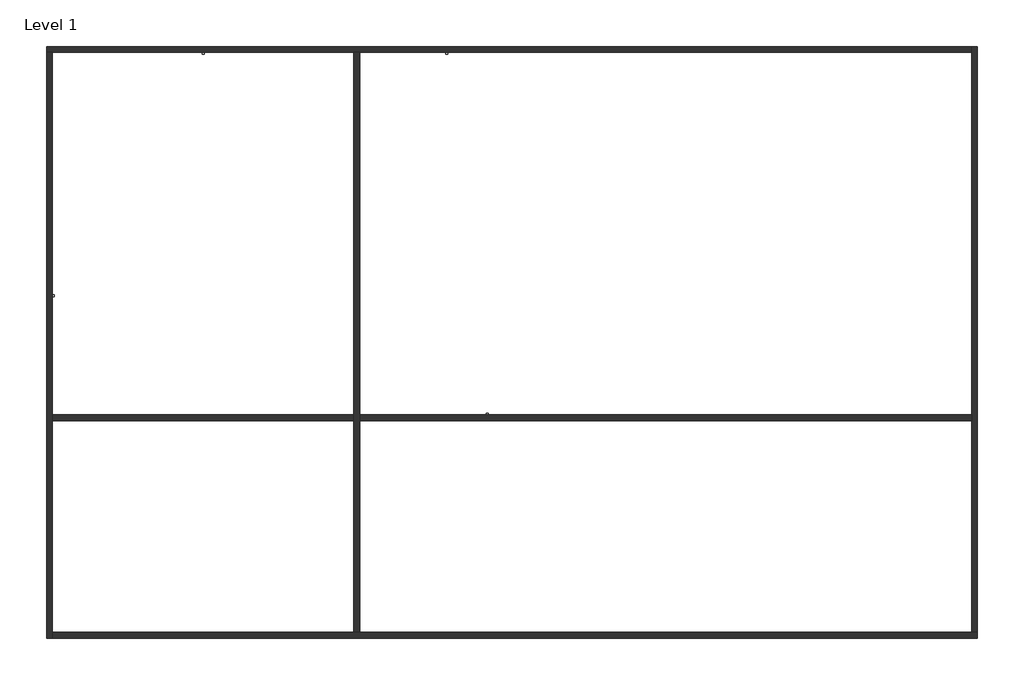
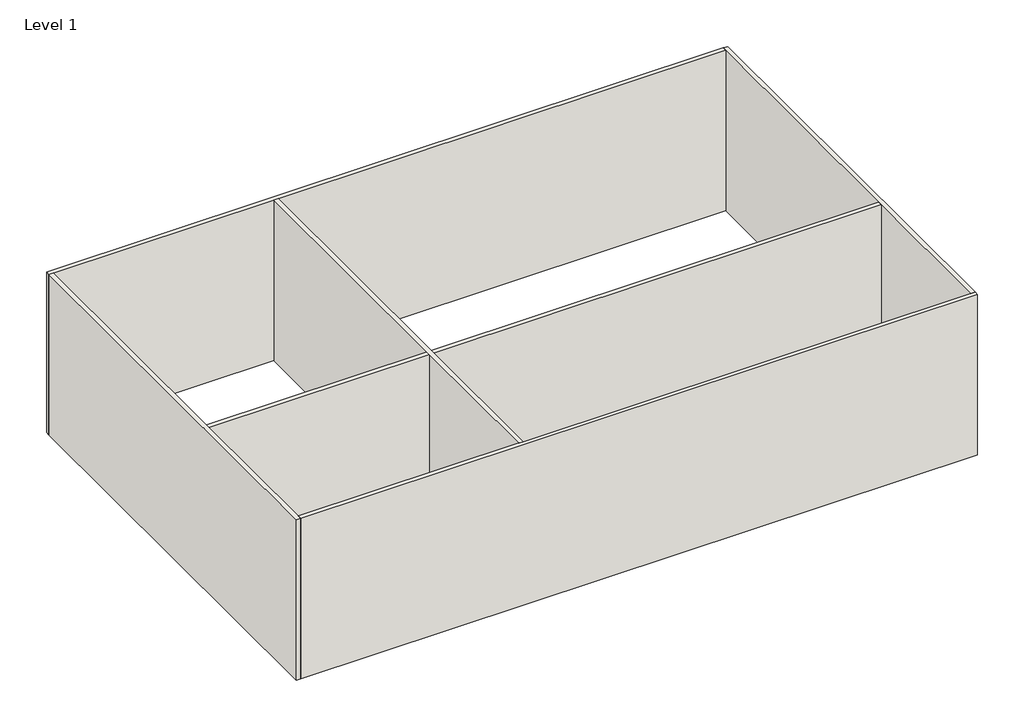
# One storey: 6 walls, 4 proxies.
"""IFC4 building model written with IfcOpenShell, lengths in millimetres."""

import ifcopenshell
import ifcopenshell.guid

model = None  # the IFC model being written
_history = None  # IfcOwnerHistory: only IFC2X3 demands one
_inside = {}  # id of a spatial element -> (the spatial element, [elements in it])
_under = {}  # id of a project, library or spatial element -> (it, [spatial elements below it])
_declared = {}  # id of a project -> (the project, [libraries it declares])
_typed = {}  # id of a type object -> (the type object, [elements of that type])
_made_of = {}  # id of a material, layer set ... -> (it, [elements and type objects made of it])


def new_model(schema):
    """Start an empty IFC model of exactly this schema.

    Asked for "IFC4X3", IfcOpenShell would pick the latest addendum, in which some entities
    have other attributes; the version numbers below select the first issue.
    IFC2X3 requires an IfcOwnerHistory on every rooted entity: one is made here for all.
    """
    global model, _history
    if schema == "IFC4X3":
        model = ifcopenshell.file(schema_version=(4, 3, 0, 0))
    else:
        model = ifcopenshell.file(schema=schema)
    _inside.clear()
    _under.clear()
    _declared.clear()
    _typed.clear()
    _made_of.clear()
    _history = None
    if model.schema == "IFC2X3":
        org = make("IfcOrganization", Name="unknown")
        user = make(
            "IfcPersonAndOrganization",
            ThePerson=make("IfcPerson", FamilyName="unknown"),
            TheOrganization=org,
        )
        app = make(
            "IfcApplication",
            ApplicationDeveloper=org,
            Version="unknown",
            ApplicationFullName="unknown",
            ApplicationIdentifier="unknown",
        )
        _history = make(
            "IfcOwnerHistory",
            OwningUser=user,
            OwningApplication=app,
            ChangeAction="ADDED",
            CreationDate=0,
        )
    return model


def make(cls, **values):
    """One entity of the class cls with the attributes given. An attribute that is None is left unset."""
    return model.create_entity(
        cls, **{name: value for name, value in values.items() if value is not None}
    )


def rooted(cls, **values):
    """An entity with a GlobalId (a new one), such as an element, a storey or a relation."""
    return make(cls, GlobalId=ifcopenshell.guid.new(), OwnerHistory=_history, **values)


def si_unit(unit_type, name, prefix=None):
    """IfcSIUnit, for example si_unit("LENGTHUNIT", "METRE", prefix="MILLI")."""
    return make("IfcSIUnit", UnitType=unit_type, Prefix=prefix, Name=name)


def assignment(units):
    """IfcUnitAssignment: the units of a project."""
    return None if units is None else make("IfcUnitAssignment", Units=units)


def point(xyz):
    """IfcCartesianPoint."""
    return None if xyz is None else make("IfcCartesianPoint", Coordinates=xyz)


def direction(xyz):
    """IfcDirection."""
    return None if xyz is None else make("IfcDirection", DirectionRatios=xyz)


def frame(location, z_axis=None, x_axis=None):
    """IfcAxis2Placement3D, a coordinate frame: its origin and axes. An axis left out is left unset."""
    return make(
        "IfcAxis2Placement3D",
        Location=point(location),
        Axis=direction(z_axis),
        RefDirection=direction(x_axis),
    )


def origin():
    """The frame at (0, 0, 0) with its axes left unset."""
    return frame((0.0, 0.0, 0.0))


def origin_with_axes():
    """The frame at (0, 0, 0) with the z axis (0, 0, 1) and the x axis (1, 0, 0) written out."""
    return frame((0.0, 0.0, 0.0), z_axis=(0.0, 0.0, 1.0), x_axis=(1.0, 0.0, 0.0))


def place(relative_to, where):
    """IfcLocalPlacement: puts the frame where relative to a parent placement (None: the world)."""
    return make(
        "IfcLocalPlacement", PlacementRelTo=relative_to, RelativePlacement=where
    )


def context(
    kind, dimensions, precision=None, world=None, true_north=None, identifier=None
):
    """IfcGeometricRepresentationContext, for example the 3D "Model" context."""
    return make(
        "IfcGeometricRepresentationContext",
        ContextIdentifier=identifier,
        ContextType=kind,
        CoordinateSpaceDimension=dimensions,
        Precision=precision,
        WorldCoordinateSystem=world,
        TrueNorth=true_north,
    )


def project(units=None, contexts=None):
    """IfcProject with its units and contexts."""
    return rooted(
        "IfcProject",
        Name="project",
        RepresentationContexts=contexts,
        UnitsInContext=assignment(units),
    )


def spatial(cls, under=None, at=None, **own):
    """A site, building, storey or space (cls), placed at a placement, below another one or the project."""
    s = rooted(cls, ObjectPlacement=at, **own)
    if under is not None:
        _under.setdefault(under.id(), (under, []))[1].append(s)
    return s


def polyline(points):
    """IfcPolyline through the points."""
    return make("IfcPolyline", Points=[point(p) for p in points])


def outline(outer, holes=None, kind="AREA"):
    """IfcArbitraryClosedProfileDef: a profile drawn as a closed curve; with holes, ...WithVoids."""
    if holes is None:
        return make("IfcArbitraryClosedProfileDef", ProfileType=kind, OuterCurve=outer)
    return make(
        "IfcArbitraryProfileDefWithVoids",
        ProfileType=kind,
        OuterCurve=outer,
        InnerCurves=holes,
    )


def extrude(swept, where, along, depth):
    """IfcExtrudedAreaSolid: the profile swept, set in the frame where, extruded along a direction by depth."""
    return make(
        "IfcExtrudedAreaSolid",
        SweptArea=swept,
        Position=where,
        ExtrudedDirection=direction(along),
        Depth=depth,
    )


def faces_of(points, faces, orient=None, outer=None):
    """IfcFace entities. A face is a list of loops; a loop is a list of indices into points, from 0.

    orient and outer hold one flag for each loop. By default every Orientation is true, the
    first loop of a face is its IfcFaceOuterBound and the others are IfcFaceBound.
    """
    made = []
    for i, loops in enumerate(faces):
        bounds = []
        for j, loop in enumerate(loops):
            is_outer = j == 0 if outer is None else outer[i][j]
            bounds.append(
                make(
                    "IfcFaceOuterBound" if is_outer else "IfcFaceBound",
                    Bound=make("IfcPolyLoop", Polygon=[points[k] for k in loop]),
                    Orientation=True if orient is None else orient[i][j],
                )
            )
        made.append(make("IfcFace", Bounds=bounds))
    return made


def faceted_brep(points, faces, orient=None, outer=None, voids=None):
    """IfcFacetedBrep: a solid bounded by flat faces; with voids (closed shells), ...WithVoids."""
    shared = [point(p) for p in points]
    hull = make("IfcClosedShell", CfsFaces=faces_of(shared, faces, orient, outer))
    if voids is None:
        return make("IfcFacetedBrep", Outer=hull)
    return make(
        "IfcFacetedBrepWithVoids",
        Outer=hull,
        Voids=[
            make(cls, CfsFaces=faces_of(shared, fs, o, b)) for cls, fs, o, b in voids
        ],
    )


def shape(context_of_items, identifier, shape_type, items):
    """IfcShapeRepresentation: the items that make up one representation, for example the "Body"."""
    return make(
        "IfcShapeRepresentation",
        ContextOfItems=context_of_items,
        RepresentationIdentifier=identifier,
        RepresentationType=shape_type,
        Items=items,
    )


def source(mapping_origin, context_of_items, identifier, shape_type, items):
    """IfcRepresentationMap: a shape defined once, which mapped items show again and again."""
    return make(
        "IfcRepresentationMap",
        MappingOrigin=mapping_origin,
        MappedRepresentation=shape(context_of_items, identifier, shape_type, items),
    )


def transform(
    local_origin,
    x_axis=None,
    y_axis=None,
    z_axis=None,
    scale=None,
    scale2=None,
    scale3=None,
    uniform=True,
):
    """IfcCartesianTransformationOperator3D, or its non-uniform kind. x_axis, y_axis, z_axis: its Axis1, 2, 3."""
    if uniform:
        return make(
            "IfcCartesianTransformationOperator3D",
            Axis1=direction(x_axis),
            Axis2=direction(y_axis),
            LocalOrigin=point(local_origin),
            Scale=scale,
            Axis3=direction(z_axis),
        )
    return make(
        "IfcCartesianTransformationOperator3DnonUniform",
        Axis1=direction(x_axis),
        Axis2=direction(y_axis),
        LocalOrigin=point(local_origin),
        Scale=scale,
        Axis3=direction(z_axis),
        Scale2=scale2,
        Scale3=scale3,
    )


def mapped(mapping_source, mapping_target):
    """IfcMappedItem: shows the shape of a source again, moved by a transform."""
    return make(
        "IfcMappedItem", MappingSource=mapping_source, MappingTarget=mapping_target
    )


def made_of(thing, what):
    """Note that an element or type object is made of a material, layer set ...; save() writes the relation."""
    if what is not None:
        _made_of.setdefault(what.id(), (what, []))[1].append(thing)
    return thing


def element(
    cls,
    number,
    at=None,
    inside=None,
    cuts=None,
    type_object=None,
    material=None,
    context=None,
    identifier="Body",
    shape_type=None,
    held_by="IfcProductDefinitionShape",
    body=None,
    shapes=None,
    **own,
):
    """One element of the class cls, such as IfcWall. Its Tag is "e" and its number.

    at: its placement. inside: the storey or other place that contains it. cuts: it is an
    opening in that element (IfcRelVoidsElement). A single representation is given by context,
    identifier, shape_type and body (its items); several are given by shapes. held_by: the class
    of the entity that holds the representations. save() writes the other relations.
    """
    e = rooted(cls, Tag="e%d" % number, ObjectPlacement=at, **own)
    if body is not None:
        shapes = [shape(context, identifier, shape_type, body)]
    if shapes is not None:
        e.Representation = make(held_by, Representations=shapes)
    if inside is not None:
        _inside.setdefault(inside.id(), (inside, []))[1].append(e)
    if cuts is not None:
        rooted(
            "IfcRelVoidsElement", RelatingBuildingElement=cuts, RelatedOpeningElement=e
        )
    if type_object is not None:
        _typed.setdefault(type_object.id(), (type_object, []))[1].append(e)
    return made_of(e, material)


def aggregate(whole, parts):
    """IfcRelAggregates: a whole, such as a stair, and the parts it consists of."""
    return rooted("IfcRelAggregates", RelatingObject=whole, RelatedObjects=parts)


def save(model, path):
    """Write the relations noted so far, then the file.

    IfcRelAggregates (storeys below a building ...), IfcRelContainedInSpatialStructure (elements
    in a storey), IfcRelDefinesByType, IfcRelAssociatesMaterial and IfcRelDeclares: one each for
    every whole, place, type object, material and project.
    """
    for whole, parts in _under.values():
        aggregate(whole, parts)
    for where, things in _inside.values():
        rooted(
            "IfcRelContainedInSpatialStructure",
            RelatedElements=things,
            RelatingStructure=where,
        )
    for kind, things in _typed.values():
        rooted("IfcRelDefinesByType", RelatedObjects=things, RelatingType=kind)
    for what, things in _made_of.values():
        rooted("IfcRelAssociatesMaterial", RelatedObjects=things, RelatingMaterial=what)
    for by, libraries in _declared.values():
        rooted("IfcRelDeclares", RelatingContext=by, RelatedDefinitions=libraries)
    model.write(path)


def m_duplex_receptacle_gfci_10251bba(model_context):
    return source(origin(), model_context, "Body", "SweptSolid", [
        extrude(outline(polyline([(19.05, 38.1), (19.05, -38.1), (-19.05, -38.1), (-19.05, 38.1), (19.05, 38.1)])), frame((0.0, 0.0, -53.975), z_axis=(0.0, 0.0, 1.0), x_axis=(1.0, 0.0, 0.0)), (0.0, 0.0, 1.0), 53.975),
        extrude(outline(polyline([(34.925, 57.15), (34.925, -57.15), (-34.925, -57.15), (-34.925, 57.15), (34.925, 57.15)])), origin_with_axes(), (0.0, 0.0, 1.0), 4.7625),
    ])


model = new_model("IFC4")

# Units and contexts
model_context = context("Model", 3, world=origin())
ifc_project = project(units=[si_unit("LENGTHUNIT", "METRE", prefix="MILLI")], contexts=[model_context])

# Site, building, storey
site = spatial("IfcSite", under=ifc_project)
building = spatial("IfcBuilding", under=site)
storey = spatial("IfcBuildingStorey", under=building, Name="Level 1", Elevation=0.0)

# Proxies
placement = place(None, origin())
m_duplex_receptacle_gfci_shape = m_duplex_receptacle_gfci_10251bba(model_context)
element("IfcBuildingElementProxy", 1, Name="M_Duplex Receptacle : GFCI", ObjectType="M_Duplex Receptacle : GFCI", at=placement, inside=storey, context=model_context, shape_type="MappedRepresentation", body=[
    mapped(m_duplex_receptacle_gfci_shape, transform((-16428.9691293, 1304.3324772, 0.0), x_axis=(0.0, -1.0, 0.0), y_axis=(1.0, 0.0, 0.0), z_axis=(0.0, 0.0, 1.0))),
])
element("IfcBuildingElementProxy", 2, Name="M_Duplex Receptacle : GFCI", ObjectType="M_Duplex Receptacle : GFCI", at=placement, inside=storey, context=model_context, shape_type="MappedRepresentation", body=[
    mapped(m_duplex_receptacle_gfci_shape, transform((-11228.9691293, 9704.3324772, 0.0), x_axis=(-1.0, 0.0, 0.0), y_axis=(0.0, -1.0, 0.0), z_axis=(0.0, 0.0, 1.0))),
])
element("IfcBuildingElementProxy", 3, Name="M_Duplex Receptacle : GFCI", ObjectType="M_Duplex Receptacle : GFCI", at=placement, inside=storey, context=model_context, shape_type="MappedRepresentation", body=[
    mapped(m_duplex_receptacle_gfci_shape, transform((-2828.9691293, 9704.3324772, 0.0), x_axis=(-1.0, 0.0, 0.0), y_axis=(0.0, -1.0, 0.0), z_axis=(0.0, 0.0, 1.0))),
])
element("IfcBuildingElementProxy", 4, Name="M_Duplex Receptacle : GFCI", ObjectType="M_Duplex Receptacle : GFCI", at=placement, inside=storey, context=model_context, shape_type="MappedRepresentation", body=[
    mapped(m_duplex_receptacle_gfci_shape, transform((-1428.9691293, -2795.6675228, 0.0), x_axis=(1.0, 0.0, 0.0), y_axis=(0.0, 1.0, 0.0), z_axis=(0.0, 0.0, 1.0))),
])

# Walls
element("IfcWall", 5, ObjectType="Generic - 200mm", at=placement, inside=storey, context=model_context, shape_type="Brep", body=[
    faceted_brep([(-16628.9691293, 9704.3324772, 0.0), (-16428.9691293, 9704.3324772, 0.0), (-6028.9691293, 9704.3324772, 0.0), (-5828.9691293, 9704.3324772, 0.0), (15271.0308707, 9704.3324772, 0.0), (15271.0308707, 9704.3324772, 8000.0), (-5828.9691293, 9704.3324772, 8000.0), (-6028.9691293, 9704.3324772, 8000.0), (-16428.9691293, 9704.3324772, 8000.0), (-16628.9691293, 9704.3324772, 8000.0), (-16628.9691293, 9904.3324772, 0.0), (-16628.9691293, 9904.3324772, 8000.0), (15271.0308707, 9904.3324772, 8000.0), (15271.0308707, 9904.3324772, 0.0)], [[[0, 1, 2, 3, 4, 5, 6, 7, 8, 9]], [[10, 11, 12, 13]], [[4, 3, 2, 1, 0, 10, 13]], [[9, 8, 7, 6, 5, 12, 11]], [[0, 9, 11, 10]], [[5, 4, 13, 12]]]),
])
element("IfcWall", 6, ObjectType="Generic - 200mm", at=placement, inside=storey, context=model_context, shape_type="Brep", body=[
    faceted_brep([(-16428.9691293, -10495.6675228, 0.0), (-16428.9691293, -10295.6675228, 0.0), (-16428.9691293, -2995.6675228, 0.0), (-16428.9691293, -2795.6675228, 0.0), (-16428.9691293, 9704.3324772, 0.0), (-16428.9691293, 9704.3324772, 8000.0), (-16428.9691293, -2795.6675228, 8000.0), (-16428.9691293, -2995.6675228, 8000.0), (-16428.9691293, -10295.6675228, 8000.0), (-16428.9691293, -10495.6675228, 8000.0), (-16628.9691293, -10495.6675228, 0.0), (-16628.9691293, -10495.6675228, 8000.0), (-16628.9691293, 9704.3324772, 8000.0), (-16628.9691293, 9704.3324772, 0.0)], [[[0, 1, 2, 3, 4, 5, 6, 7, 8, 9]], [[10, 11, 12, 13]], [[4, 3, 2, 1, 0, 10, 13]], [[9, 8, 7, 6, 5, 12, 11]], [[0, 9, 11, 10]], [[5, 4, 13, 12]]]),
])
element("IfcWall", 7, ObjectType="Generic - 200mm", at=placement, inside=storey, context=model_context, shape_type="Brep", body=[
    faceted_brep([(15471.0308707, -10295.6675228, 0.0), (15271.0308707, -10295.6675228, 0.0), (-5828.9691293, -10295.6675228, 0.0), (-6028.9691293, -10295.6675228, 0.0), (-16428.9691293, -10295.6675228, 0.0), (-16428.9691293, -10295.6675228, 8000.0), (-6028.9691293, -10295.6675228, 8000.0), (-5828.9691293, -10295.6675228, 8000.0), (15271.0308707, -10295.6675228, 8000.0), (15471.0308707, -10295.6675228, 8000.0), (15471.0308707, -10495.6675228, 0.0), (15471.0308707, -10495.6675228, 8000.0), (-16428.9691293, -10495.6675228, 8000.0), (-16428.9691293, -10495.6675228, 0.0)], [[[0, 1, 2, 3, 4, 5, 6, 7, 8, 9]], [[10, 11, 12, 13]], [[4, 3, 2, 1, 0, 10, 13]], [[9, 8, 7, 6, 5, 12, 11]], [[0, 9, 11, 10]], [[5, 4, 13, 12]]]),
])
element("IfcWall", 8, ObjectType="Generic - 200mm", at=placement, inside=storey, context=model_context, shape_type="Brep", body=[
    faceted_brep([(15271.0308707, 9904.3324772, 0.0), (15271.0308707, 9704.3324772, 0.0), (15271.0308707, -2795.6675228, 0.0), (15271.0308707, -2995.6675228, 0.0), (15271.0308707, -10295.6675228, 0.0), (15271.0308707, -10295.6675228, 8000.0), (15271.0308707, -2995.6675228, 8000.0), (15271.0308707, -2795.6675228, 8000.0), (15271.0308707, 9704.3324772, 8000.0), (15271.0308707, 9904.3324772, 8000.0), (15471.0308707, 9904.3324772, 0.0), (15471.0308707, 9904.3324772, 8000.0), (15471.0308707, -10295.6675228, 8000.0), (15471.0308707, -10295.6675228, 0.0)], [[[0, 1, 2, 3, 4, 5, 6, 7, 8, 9]], [[10, 11, 12, 13]], [[4, 3, 2, 1, 0, 10, 13]], [[9, 8, 7, 6, 5, 12, 11]], [[0, 9, 11, 10]], [[5, 4, 13, 12]]]),
])
element("IfcWall", 9, ObjectType="Generic - 200mm", at=placement, inside=storey, context=model_context, shape_type="Brep", body=[
    faceted_brep([(-6028.9691293, 9704.3324772, 0.0), (-6028.9691293, -2795.6675228, 0.0), (-6028.9691293, -2995.6675228, 0.0), (-6028.9691293, -10295.6675228, 0.0), (-6028.9691293, -10295.6675228, 8000.0), (-6028.9691293, -2995.6675228, 8000.0), (-6028.9691293, -2795.6675228, 8000.0), (-6028.9691293, 9704.3324772, 8000.0), (-5828.9691293, 9704.3324772, 0.0), (-5828.9691293, 9704.3324772, 8000.0), (-5828.9691293, -2795.6675228, 8000.0), (-5828.9691293, -2995.6675228, 8000.0), (-5828.9691293, -10295.6675228, 8000.0), (-5828.9691293, -10295.6675228, 0.0), (-5828.9691293, -2995.6675228, 0.0), (-5828.9691293, -2795.6675228, 0.0)], [[[0, 1, 2, 3, 4, 5, 6, 7]], [[8, 9, 10, 11, 12, 13, 14, 15]], [[3, 2, 1, 0, 8, 15, 14, 13]], [[7, 6, 5, 4, 12, 11, 10, 9]], [[0, 7, 9, 8]], [[4, 3, 13, 12]]]),
])
element("IfcWall", 10, ObjectType="Generic - 200mm", at=placement, inside=storey, context=model_context, shape_type="SweptSolid", body=[
    extrude(outline(polyline([(-16428.9691293, -2995.6675228), (-16428.9691293, -2795.6675228), (-6028.9691293, -2795.6675228), (-6028.9691293, -2995.6675228), (-16428.9691293, -2995.6675228)])), origin_with_axes(), (0.0, 0.0, 1.0), 8000.0),
    extrude(outline(polyline([(15271.0308707, -2795.6675228), (15271.0308707, -2995.6675228), (-5828.9691293, -2995.6675228), (-5828.9691293, -2795.6675228), (15271.0308707, -2795.6675228)])), origin_with_axes(), (0.0, 0.0, 1.0), 8000.0),
])

save(model, "model.ifc")
